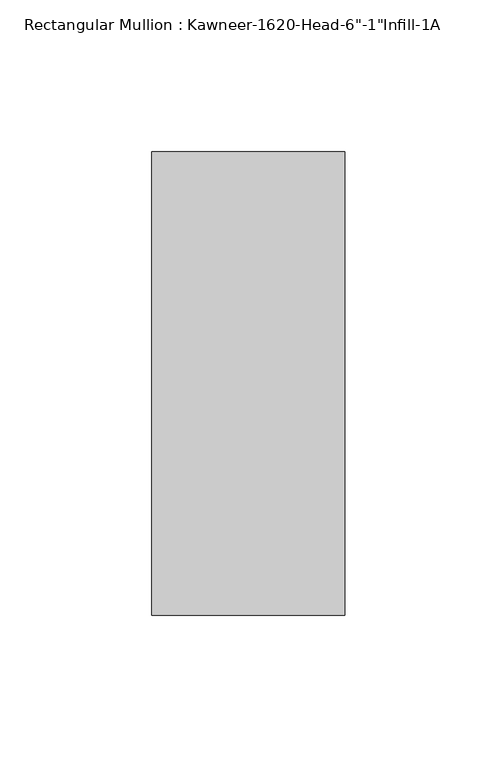
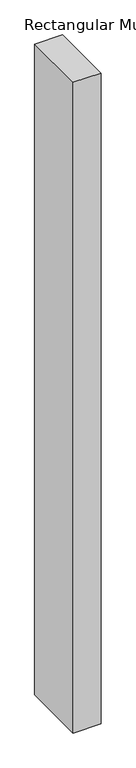
"""IFC4 building model written with IfcOpenShell, lengths in millimetres: member geometry."""

from ifc_helpers import new_model, si_unit, frame, origin, place, context, project, spatial, polyline, outline, extrude, source, transform, mapped, element, save


def member_67fe6bce(model_context):
    return source(origin(), model_context, "Body", "SweptSolid", [
        extrude(outline(polyline([(-63.5, 38.1), (0.0, 38.1), (0.0, -114.3), (-63.5, -114.3), (-63.5, 38.1)])), frame((0.0, 0.0, -1569.3182369), z_axis=(0.0, 0.0, 1.0), x_axis=(1.0, 0.0, 0.0)), (0.0, 0.0, 1.0), 1569.3182369),
    ])


if __name__ == "__main__":
    model = new_model("IFC4")
    model_context = context("Model", 3, world=origin())
    ifc_project = project(units=[si_unit("LENGTHUNIT", "METRE", prefix="MILLI")], contexts=[model_context])
    site = spatial("IfcSite", under=ifc_project)
    building = spatial("IfcBuilding", under=site)
    placement = place(None, origin())
    member_shape = member_67fe6bce(model_context)
    element("IfcMember", 1, ObjectType="Rectangular Mullion : Kawneer-1620-Head-6\"-1\"Infill-1A", at=placement, inside=building, context=model_context, shape_type="MappedRepresentation", body=[
        mapped(member_shape, transform((0.0, 0.0, 0.0), x_axis=(1.0, 0.0, 0.0), y_axis=(0.0, 1.0, 0.0), z_axis=(0.0, 0.0, 1.0))),
    ])
    save(model, "model.ifc")
